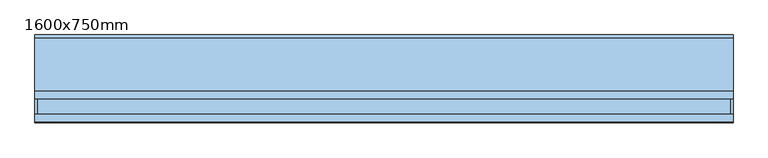
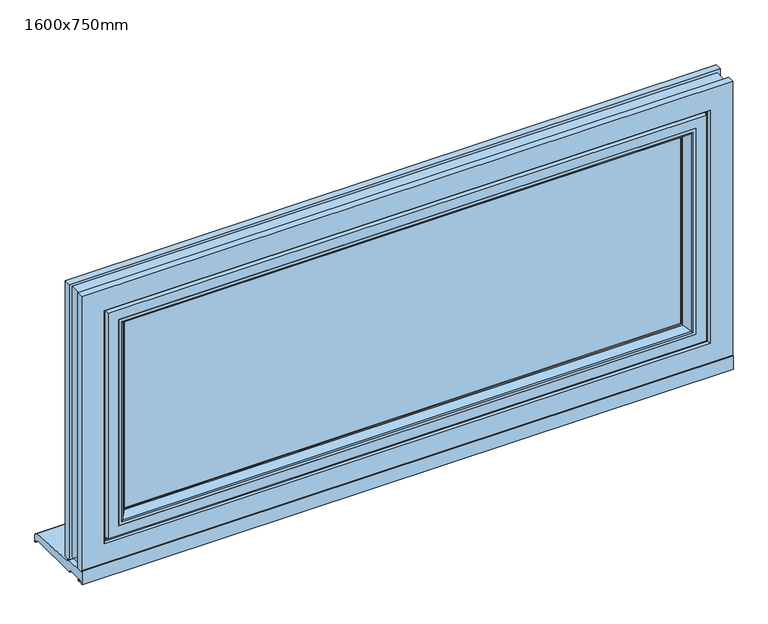
"""IFC4 building model written with IfcOpenShell, lengths in millimetres: window geometry, 1600x750mm."""

from ifc_helpers import new_model, si_unit, point, frame, frame_2d, origin, place, context, project, spatial, polyline, circle_curve, ellipse_curve, trimmed, segment, composite_curve, outline, extrude, source, transform, mapped, element, save
from ifc_brep_helpers import plane_surface, cylinder_surface, advanced_brep


def window_1600x750mm_a451347a(model_context):
    return source(origin(), model_context, "Body", "SolidModel", [
        extrude(outline(composite_curve([segment(polyline([(-0.9754597, 838.0000003), (1.0245403, 838.0000003), (1.0245403, 833.0000003), (59.0278746, 833.0000003)]), True, "CONTINUOUS"), segment(trimmed(circle_curve(frame_2d((65.0153116, 833.3880694)), 6.0), [point((59.0278746, 833.0000003))], [point((63.7824859, 827.5160901))], True, "CARTESIAN"), True, "CONTINUOUS"), segment(polyline([(63.7824859, 827.5160901), (191.7581436, 817.4145962)]), True, "CONTINUOUS"), segment(trimmed(circle_curve(frame_2d((191.128712, 809.5438961)), 7.8958283), [point((191.7581436, 817.4145962))], [point((199.0245403, 809.5438961))], False, "CARTESIAN"), True, "CONTINUOUS"), segment(polyline([(199.0245403, 809.5438961), (199.0245403, 793.0075963), (197.0245403, 793.0075963), (197.0245403, 796.9000002), (189.0245403, 798.310616), (189.0245403, 803.0), (52.0245403, 803.0), (52.0245403, 810.0), (16.0245403, 810.0), (16.0245403, 803.0), (11.0245403, 803.0), (11.0245403, 810.0), (3.0245403, 810.0), (3.0245403, 803.0), (-0.9754597, 803.0), (-0.9754597, 838.0000003)]), True, "CONTINUOUS")], self_intersect=False)), frame((-795.0, 0.0, 0.0), z_axis=(1.0, 0.0, 0.0), x_axis=(0.0, 1.0, 0.0)), (0.0, 0.0, 1.0), 1590.0),
        extrude(outline(polyline([(-696.0020027, 24.0244403), (-696.0020027, 52.0244403), (696.0, 52.0244403), (696.0, 24.0244403), (-696.0020027, 24.0244403)])), frame((0.0, 0.0, 932.0), z_axis=(0.0, 0.0, 1.0), x_axis=(1.0, 0.0, 0.0)), (0.0, 0.0, 1.0), 514.0),
        advanced_brep(
        [(-681.9957513, 16.4897798, 1431.9956513), (-694.3949222, 2.3837282, 1444.3948222), (-694.3949222, 2.3837282, 933.6051778), (-681.9957513, 16.4897798, 946.0043487), (-681.0001, 19.130592, 1431.0), (-681.0001, 19.130592, 947.0), (-681.0001, 22.0245403, 1431.0), (-681.0001, 22.0245403, 947.0), (-691.8001, 15.5245403, 1441.8), (-691.8001, 22.0245403, 1441.8), (-691.8001, 22.0245403, 936.2), (-691.8001, 15.5245403, 936.2), (-694.8001, 12.5245403, 1444.8), (-694.8001, 12.5245403, 933.2), (-705.0001, 1.0245403, 1455.0), (-705.0001, 12.5245403, 1455.0), (-705.0001, 12.5245403, 923.0), (-705.0001, 1.0245403, 923.0), (-697.3992709, 1.0245403, 1447.3991709), (-697.3992709, 1.0245403, 930.6008291), (694.3948222, 2.3837282, 933.6051778), (681.9956513, 16.4897798, 946.0043487), (681.0, 19.130592, 947.0), (681.0, 22.0245403, 947.0), (691.8, 22.0245403, 936.2), (691.8, 15.5245403, 936.2), (694.8, 12.5245403, 933.2), (705.0, 12.5245403, 923.0), (705.0, 1.0245403, 923.0), (697.3991709, 1.0245403, 930.6008291), (694.3948222, 2.3837282, 1444.3948222), (681.9956513, 16.4897798, 1431.9956513), (681.0, 19.130592, 1431.0), (681.0, 22.0245403, 1431.0), (691.8, 22.0245403, 1441.8), (691.8, 15.5245403, 1441.8), (694.8, 12.5245403, 1444.8), (705.0, 12.5245403, 1455.0), (705.0, 1.0245403, 1455.0), (697.3991709, 1.0245403, 1447.3991709)],
        [
            (0, 1),
            (1, 2),
            (2, 3),
            (3, 0),
            (4, 0, ellipse_curve(frame((-685.0001, 19.130592, 1435.0), z_axis=(-0.7071067811865475, 0.0, -0.7071067811865475), x_axis=(-0.7071067811865474, 0.0, 0.7071067811865476)), 5.6568542, 4.0)),
            (3, 5, ellipse_curve(frame((-685.0001, 19.130592, 943.0), z_axis=(-0.7071067811865475, 0.0, 0.7071067811865475), x_axis=(0.7071067811865474, 0.0, 0.7071067811865476)), 5.6568542, 4.0)),
            (5, 4),
            (6, 4),
            (5, 7),
            (7, 6),
            (8, 9),
            (9, 10),
            (10, 11),
            (11, 8),
            (12, 8),
            (11, 13),
            (13, 12),
            (14, 15),
            (15, 16),
            (16, 17),
            (17, 14),
            (1, 18, ellipse_curve(frame((-697.3992709, 5.0245403, 1447.3991709), z_axis=(-0.7071067811865475, 0.0, -0.7071067811865475), x_axis=(-0.7071067811865474, 0.0, 0.7071067811865476)), 5.6568542, 4.0)),
            (18, 19),
            (19, 2, ellipse_curve(frame((-697.3992709, 5.0245403, 930.6008291), z_axis=(-0.7071067811865475, 0.0, 0.7071067811865475), x_axis=(0.7071067811865474, 0.0, 0.7071067811865476)), 5.6568542, 4.0)),
            (2, 20),
            (20, 21),
            (21, 3),
            (21, 22, ellipse_curve(frame((685.0, 19.130592, 943.0), z_axis=(-0.7071067811865475, 0.0, -0.7071067811865475), x_axis=(-0.7071067811865476, 0.0, 0.7071067811865474)), 5.6568542, 4.0)),
            (22, 5),
            (22, 23),
            (23, 7),
            (10, 24),
            (24, 25),
            (25, 11),
            (25, 26),
            (26, 13),
            (16, 27),
            (27, 28),
            (28, 17),
            (19, 29),
            (29, 20, ellipse_curve(frame((697.3991709, 5.0245403, 930.6008291), z_axis=(-0.7071067811865475, 0.0, -0.7071067811865475), x_axis=(-0.7071067811865476, 0.0, 0.7071067811865474)), 5.6568542, 4.0)),
            (20, 30),
            (30, 31),
            (31, 21),
            (31, 32, ellipse_curve(frame((685.0, 19.130592, 1435.0), z_axis=(0.7071067811865475, 0.0, -0.7071067811865475), x_axis=(-0.7071067811865474, 0.0, -0.7071067811865476)), 5.6568542, 4.0)),
            (32, 22),
            (32, 33),
            (33, 23),
            (24, 34),
            (34, 35),
            (35, 25),
            (35, 36),
            (36, 26),
            (27, 37),
            (37, 38),
            (38, 28),
            (29, 39),
            (39, 30, ellipse_curve(frame((697.3991709, 5.0245403, 1447.3991709), z_axis=(0.7071067811865475, 0.0, -0.7071067811865475), x_axis=(-0.7071067811865474, 0.0, -0.7071067811865476)), 5.6568542, 4.0)),
            (30, 1),
            (0, 31),
            (4, 32),
            (6, 33),
            (9, 34),
            (8, 35),
            (12, 36),
            (15, 37),
            (14, 38),
            (18, 39),
        ],
        [
            plane_surface(frame((-694.3949222, 2.3837282, 1444.3948222), z_axis=(0.7510871729852433, -0.660203043447268, 0.0), x_axis=(0.0, 0.0, -1.0))),
            cylinder_surface(frame((-685.0001, 19.130592, 1499.0), z_axis=(0.0, 0.0, 1.0), x_axis=(-1.0, 0.0, 0.0)), 4.0),
            plane_surface(frame((-681.0001, 19.130592, 1431.0), z_axis=(1.0, 0.0, 0.0), x_axis=(0.0, 0.0, -1.0))),
            plane_surface(frame((-691.8001, 22.0245403, 1441.8), z_axis=(-1.0, 0.0, 0.0), x_axis=(0.0, 0.0, -1.0))),
            plane_surface(frame((-691.8001, 15.5245403, 1441.8), z_axis=(-0.7071067811865315, 0.7071067811865636, 0.0), x_axis=(0.0, 0.0, -1.0))),
            plane_surface(frame((-705.0001, 12.5245403, 1455.0), z_axis=(-1.0, 0.0, 0.0), x_axis=(0.0, 0.0, -1.0))),
            cylinder_surface(frame((-697.3992709, 5.0245403, 1499.0), z_axis=(0.0, 0.0, 1.0), x_axis=(-1.0, 0.0, 0.0)), 4.0),
            plane_surface(frame((-694.3949222, 2.3837282, 933.6051778), z_axis=(0.0, -0.6602030434472632, 0.7510871729852475), x_axis=(1.0, 0.0, 0.0))),
            cylinder_surface(frame((-749.0001, 19.130592, 943.0), z_axis=(-1.0, 0.0, 0.0), x_axis=(0.0, 0.0, -1.0)), 4.0),
            plane_surface(frame((-681.0001, 19.130592, 947.0), z_axis=(0.0, 0.0, 1.0), x_axis=(1.0, 0.0, 0.0))),
            plane_surface(frame((-691.8001, 22.0245403, 936.2), z_axis=(0.0, 0.0, -1.0), x_axis=(1.0, 0.0, 0.0))),
            plane_surface(frame((-691.8001, 15.5245403, 936.2), z_axis=(0.0, 0.707106781186559, -0.707106781186536), x_axis=(1.0, 0.0, 0.0))),
            plane_surface(frame((-705.0001, 12.5245403, 923.0), z_axis=(0.0, 0.0, -1.0), x_axis=(1.0, 0.0, 0.0))),
            cylinder_surface(frame((-749.0001, 5.0245403, 930.6008291), z_axis=(-1.0, 0.0, 0.0), x_axis=(0.0, 0.0, -1.0)), 4.0),
            plane_surface(frame((694.3948222, 2.3837282, 933.6051778), z_axis=(-0.7510871729852517, -0.6602030434472584, 0.0), x_axis=(0.0, 0.0, 1.0))),
            cylinder_surface(frame((685.0, 19.130592, 879.0), z_axis=(0.0, 0.0, -1.0), x_axis=(1.0, 0.0, 0.0)), 4.0),
            plane_surface(frame((681.0, 19.130592, 947.0), z_axis=(-1.0, 0.0, 0.0), x_axis=(0.0, 0.0, 1.0))),
            plane_surface(frame((691.8, 22.0245403, 936.2), z_axis=(1.0, 0.0, 0.0), x_axis=(0.0, 0.0, 1.0))),
            plane_surface(frame((691.8, 15.5245403, 936.2), z_axis=(0.7071067811865406, 0.7071067811865545, 0.0), x_axis=(0.0, 0.0, 1.0))),
            plane_surface(frame((705.0, 12.5245403, 923.0), z_axis=(1.0, 0.0, 0.0), x_axis=(0.0, 0.0, 1.0))),
            cylinder_surface(frame((697.3991709, 5.0245403, 879.0), z_axis=(0.0, 0.0, -1.0), x_axis=(1.0, 0.0, 0.0)), 4.0),
            plane_surface(frame((694.3948222, 2.3837282, 1444.3948222), z_axis=(0.0, -0.6602030434472632, -0.7510871729852475), x_axis=(-1.0, 0.0, 0.0))),
            cylinder_surface(frame((749.0, 19.130592, 1435.0), z_axis=(1.0, 0.0, 0.0), x_axis=(0.0, 0.0, 1.0)), 4.0),
            plane_surface(frame((681.0, 19.130592, 1431.0), z_axis=(0.0, 0.0, -1.0), x_axis=(-1.0, 0.0, 0.0))),
            plane_surface(frame((681.0, 22.0245403, 1431.0), z_axis=(0.0, 1.0, 0.0), x_axis=(-1.0, 0.0, 0.0))),
            plane_surface(frame((691.8, 22.0245403, 1441.8), z_axis=(0.0, 0.0, 1.0), x_axis=(-1.0, 0.0, 0.0))),
            plane_surface(frame((691.8, 15.5245403, 1441.8), z_axis=(0.0, 0.707106781186559, 0.707106781186536), x_axis=(-1.0, 0.0, 0.0))),
            plane_surface(frame((694.8, 12.5245403, 1444.8), z_axis=(0.0, 1.0, 0.0), x_axis=(-1.0, 0.0, 0.0))),
            plane_surface(frame((705.0, 12.5245403, 1455.0), z_axis=(0.0, 0.0, 1.0), x_axis=(-1.0, 0.0, 0.0))),
            plane_surface(frame((705.0, 1.0245403, 1455.0), z_axis=(0.0, -1.0, 0.0), x_axis=(-1.0, 0.0, 0.0))),
            cylinder_surface(frame((749.0, 5.0245403, 1447.3991709), z_axis=(1.0, 0.0, 0.0), x_axis=(0.0, 0.0, 1.0)), 4.0),
        ],
        [
            (0, [[1, 2, 3, 4]]),
            (1, [[5, -4, 6, 7]]),
            (2, [[8, -7, 9, 10]]),
            (3, [[11, 12, 13, 14]]),
            (4, [[15, -14, 16, 17]]),
            (5, [[18, 19, 20, 21]]),
            (6, [[22, 23, 24, -2]]),
            (7, [[-3, 25, 26, 27]]),
            (8, [[-6, -27, 28, 29]]),
            (9, [[-9, -29, 30, 31]]),
            (10, [[-13, 32, 33, 34]]),
            (11, [[-16, -34, 35, 36]]),
            (12, [[-20, 37, 38, 39]]),
            (13, [[-24, 40, 41, -25]]),
            (14, [[-26, 42, 43, 44]]),
            (15, [[-28, -44, 45, 46]]),
            (16, [[-30, -46, 47, 48]]),
            (17, [[-33, 49, 50, 51]]),
            (18, [[-35, -51, 52, 53]]),
            (19, [[-38, 54, 55, 56]]),
            (20, [[-41, 57, 58, -42]]),
            (21, [[-43, 59, -1, 60]]),
            (22, [[-45, -60, -5, 61]]),
            (23, [[-47, -61, -8, 62]]),
            (24, [[63, -49, -32, -12], [-31, -48, -62, -10]]),
            (25, [[-50, -63, -11, 64]]),
            (26, [[-52, -64, -15, 65]]),
            (27, [[66, -54, -37, -19], [-36, -53, -65, -17]]),
            (28, [[-55, -66, -18, 67]]),
            (29, [[-39, -56, -67, -21], [68, -57, -40, -23]]),
            (30, [[-58, -68, -22, -59]]),
        ],
    ),
        advanced_brep(
        [(705.0, 54.0245403, 1455.0), (705.0, 1.0245403, 1455.0), (-705.0001, 1.0245403, 1455.0), (-705.0001, 54.0245403, 1455.0), (694.3847305, 70.0887181, 1444.3847305), (682.4288496, 60.0565428, 1432.4288496), (-682.4289496, 60.0565428, 1432.4288496), (-694.3848305, 70.0887181, 1444.3847305), (749.0, 68.5245403, 1499.0), (749.0, 71.0245403, 1499.0), (-749.0001, 71.0245403, 1499.0), (-749.0001, 68.5245403, 1499.0), (-705.0001, 1.0245403, 923.0), (-705.0001, 54.0245403, 923.0), (-682.4289496, 60.0565428, 945.5711504), (-694.3848305, 70.0887181, 933.6152695), (-749.0001, 71.0245403, 879.0), (-749.0001, 68.5245403, 879.0), (705.0, 1.0245403, 923.0), (705.0, 54.0245403, 923.0), (682.4288496, 60.0565428, 945.5711504), (694.3847305, 70.0887181, 933.6152695), (749.0, 71.0245403, 879.0), (749.0, 68.5245403, 879.0), (681.0, 54.0245403, 1431.0), (681.0, 54.0245403, 947.0), (-681.0001, 54.0245403, 947.0), (-681.0001, 54.0245403, 1431.0), (-696.955981, 71.0245403, 1446.955881), (-696.955981, 71.0245403, 931.044119), (696.955881, 71.0245403, 931.044119), (696.955881, 71.0245403, 1446.955881), (681.0, 56.992365, 1431.0), (-681.0001, 56.992365, 1431.0), (-681.0001, 56.992365, 947.0), (681.0, 56.992365, 947.0), (744.0, 13.5245403, 1494.0), (744.0, 68.5245403, 1494.0), (-744.0001, 68.5245403, 1494.0), (-744.0001, 13.5245403, 1494.0), (730.0, 1.0245403, 1480.0), (732.0, 13.5245403, 1482.0), (-732.0001, 13.5245403, 1482.0), (-730.0001, 1.0245403, 1480.0), (-744.0001, 68.5245403, 884.0), (-744.0001, 13.5245403, 884.0), (-732.0001, 13.5245403, 896.0), (-730.0001, 1.0245403, 898.0), (744.0, 68.5245403, 884.0), (744.0, 13.5245403, 884.0), (732.0, 13.5245403, 896.0), (730.0, 1.0245403, 898.0)],
        [
            (0, 1),
            (1, 2),
            (2, 3),
            (3, 0),
            (4, 5),
            (5, 6),
            (6, 7),
            (7, 4),
            (8, 9),
            (9, 10),
            (10, 11),
            (11, 8),
            (2, 12),
            (12, 13),
            (13, 3),
            (6, 14),
            (14, 15),
            (15, 7),
            (10, 16),
            (16, 17),
            (17, 11),
            (12, 18),
            (18, 19),
            (19, 13),
            (14, 20),
            (20, 21),
            (21, 15),
            (16, 22),
            (22, 23),
            (23, 17),
            (18, 1),
            (0, 19),
            (24, 25),
            (25, 26),
            (26, 27),
            (27, 24),
            (20, 5),
            (4, 21),
            (9, 22),
            (28, 29),
            (29, 30),
            (30, 31),
            (31, 28),
            (8, 23),
            (32, 24),
            (27, 33),
            (33, 32),
            (31, 4, ellipse_curve(frame((696.955881, 67.0245403, 1446.955881), z_axis=(-0.7071067811865475, 0.0, 0.7071067811865475), x_axis=(0.7071067811865476, 0.0, 0.7071067811865474)), 5.6568542, 4.0)),
            (7, 28, ellipse_curve(frame((-696.955981, 67.0245403, 1446.955881), z_axis=(0.7071067811865475, 0.0, 0.7071067811865475), x_axis=(0.7071067811865476, 0.0, -0.7071067811865474)), 5.6568542, 4.0)),
            (26, 34),
            (34, 33),
            (15, 29, ellipse_curve(frame((-696.955981, 67.0245403, 931.044119), z_axis=(-0.7071067811865475, 0.0, 0.7071067811865475), x_axis=(0.7071067811865474, 0.0, 0.7071067811865476)), 5.6568542, 4.0)),
            (25, 35),
            (35, 34),
            (21, 30, ellipse_curve(frame((696.955881, 67.0245403, 931.044119), z_axis=(-0.7071067811865475, 0.0, -0.7071067811865475), x_axis=(-0.7071067811865476, 0.0, 0.7071067811865474)), 5.6568542, 4.0)),
            (32, 35),
            (5, 32, ellipse_curve(frame((685.0, 56.992365, 1435.0), z_axis=(-0.7071067811865475, 0.0, 0.7071067811865475), x_axis=(0.7071067811865476, 0.0, 0.7071067811865474)), 5.6568542, 4.0)),
            (33, 6, ellipse_curve(frame((-685.0001, 56.992365, 1435.0), z_axis=(0.7071067811865475, 0.0, 0.7071067811865475), x_axis=(0.7071067811865476, 0.0, -0.7071067811865474)), 5.6568542, 4.0)),
            (34, 14, ellipse_curve(frame((-685.0001, 56.992365, 943.0), z_axis=(-0.7071067811865475, 0.0, 0.7071067811865475), x_axis=(0.7071067811865474, 0.0, 0.7071067811865476)), 5.6568542, 4.0)),
            (35, 20, ellipse_curve(frame((685.0, 56.992365, 943.0), z_axis=(-0.7071067811865475, 0.0, -0.7071067811865475), x_axis=(-0.7071067811865476, 0.0, 0.7071067811865474)), 5.6568542, 4.0)),
            (36, 37),
            (37, 38),
            (38, 39),
            (39, 36),
            (40, 41),
            (41, 42),
            (42, 43),
            (43, 40),
            (38, 44),
            (44, 45),
            (45, 39),
            (42, 46),
            (46, 47),
            (47, 43),
            (44, 48),
            (48, 49),
            (49, 45),
            (46, 50),
            (50, 51),
            (51, 47),
            (37, 48),
            (36, 49),
            (41, 50),
            (40, 51),
        ],
        [
            plane_surface(frame((705.0, 1.0245403, 1455.0), z_axis=(0.0, 0.0, -1.0), x_axis=(-1.0, 0.0, 0.0))),
            plane_surface(frame((682.4288496, 60.0565428, 1432.4288496), z_axis=(0.0, 0.7660444433480821, -0.6427876094135039), x_axis=(-1.0, 0.0, 0.0))),
            plane_surface(frame((749.0, 71.0245403, 1499.0), z_axis=(0.0, 0.0, 1.0), x_axis=(-1.0, 0.0, 0.0))),
            plane_surface(frame((-705.0001, 1.0245403, 1455.0), z_axis=(1.0, 0.0, 0.0), x_axis=(0.0, 0.0, -1.0))),
            plane_surface(frame((-682.4289496, 60.0565428, 1432.4288496), z_axis=(0.6427876094135088, 0.766044443348078, 0.0), x_axis=(0.0, 0.0, -1.0))),
            plane_surface(frame((-749.0001, 71.0245403, 1499.0), z_axis=(-1.0, 0.0, 0.0), x_axis=(0.0, 0.0, -1.0))),
            plane_surface(frame((-705.0001, 1.0245403, 923.0), z_axis=(0.0, 0.0, 1.0), x_axis=(1.0, 0.0, 0.0))),
            plane_surface(frame((-682.4289496, 60.0565428, 945.5711504), z_axis=(0.0, 0.7660444433480821, 0.6427876094135039), x_axis=(1.0, 0.0, 0.0))),
            plane_surface(frame((-749.0001, 71.0245403, 879.0), z_axis=(0.0, 0.0, -1.0), x_axis=(1.0, 0.0, 0.0))),
            plane_surface(frame((705.0, 1.0245403, 923.0), z_axis=(-1.0, 0.0, 0.0), x_axis=(0.0, 0.0, 1.0))),
            plane_surface(frame((705.0, 54.0245403, 923.0), z_axis=(0.0, -1.0, 0.0), x_axis=(0.0, 0.0, 1.0))),
            plane_surface(frame((682.4288496, 60.0565428, 945.5711504), z_axis=(-0.642787609413499, 0.7660444433480862, 0.0), x_axis=(0.0, 0.0, 1.0))),
            plane_surface(frame((696.955881, 71.0245403, 931.044119), z_axis=(0.0, 1.0, 0.0), x_axis=(0.0, 0.0, 1.0))),
            plane_surface(frame((749.0, 71.0245403, 879.0), z_axis=(1.0, 0.0, 0.0), x_axis=(0.0, 0.0, 1.0))),
            plane_surface(frame((681.0, 54.0245403, 1431.0), z_axis=(0.0, 0.0, -1.0), x_axis=(-1.0, 0.0, 0.0))),
            cylinder_surface(frame((749.0, 67.0245403, 1446.955881), z_axis=(1.0, 0.0, 0.0), x_axis=(0.0, 0.0, 1.0)), 4.0),
            plane_surface(frame((-681.0001, 54.0245403, 1431.0), z_axis=(1.0, 0.0, 0.0), x_axis=(0.0, 0.0, -1.0))),
            cylinder_surface(frame((-696.955981, 67.0245403, 1499.0), z_axis=(0.0, 0.0, 1.0), x_axis=(-1.0, 0.0, 0.0)), 4.0),
            plane_surface(frame((-681.0001, 54.0245403, 947.0), z_axis=(0.0, 0.0, 1.0), x_axis=(1.0, 0.0, 0.0))),
            cylinder_surface(frame((-749.0001, 67.0245403, 931.044119), z_axis=(-1.0, 0.0, 0.0), x_axis=(0.0, 0.0, -1.0)), 4.0),
            plane_surface(frame((681.0, 54.0245403, 947.0), z_axis=(-1.0, 0.0, 0.0), x_axis=(0.0, 0.0, 1.0))),
            cylinder_surface(frame((696.955881, 67.0245403, 879.0), z_axis=(0.0, 0.0, -1.0), x_axis=(1.0, 0.0, 0.0)), 4.0),
            cylinder_surface(frame((749.0, 56.992365, 1435.0), z_axis=(1.0, 0.0, 0.0), x_axis=(0.0, 0.0, 1.0)), 4.0),
            cylinder_surface(frame((-685.0001, 56.992365, 1499.0), z_axis=(0.0, 0.0, 1.0), x_axis=(-1.0, 0.0, 0.0)), 4.0),
            cylinder_surface(frame((-749.0001, 56.992365, 943.0), z_axis=(-1.0, 0.0, 0.0), x_axis=(0.0, 0.0, -1.0)), 4.0),
            cylinder_surface(frame((685.0, 56.992365, 879.0), z_axis=(0.0, 0.0, -1.0), x_axis=(1.0, 0.0, 0.0)), 4.0),
            plane_surface(frame((744.0, 68.5245403, 1494.0), z_axis=(0.0, 0.0, 1.0), x_axis=(-1.0, 0.0, 0.0))),
            plane_surface(frame((732.0, 13.5245403, 1482.0), z_axis=(0.0, -0.1579905011066784, 0.9874406319167045), x_axis=(-1.0, 0.0, 0.0))),
            plane_surface(frame((-744.0001, 68.5245403, 1494.0), z_axis=(-1.0, 0.0, 0.0), x_axis=(0.0, 0.0, -1.0))),
            plane_surface(frame((-732.0001, 13.5245403, 1482.0), z_axis=(-0.9874406319167055, -0.1579905011066721, 0.0), x_axis=(0.0, 0.0, -1.0))),
            plane_surface(frame((-744.0001, 68.5245403, 884.0), z_axis=(0.0, 0.0, -1.0), x_axis=(1.0, 0.0, 0.0))),
            plane_surface(frame((-732.0001, 13.5245403, 896.0), z_axis=(0.0, -0.1579905011066784, -0.9874406319167045), x_axis=(1.0, 0.0, 0.0))),
            plane_surface(frame((749.0, 68.5245403, 879.0), z_axis=(0.0, -1.0, 0.0), x_axis=(0.0, 0.0, 1.0))),
            plane_surface(frame((744.0, 68.5245403, 884.0), z_axis=(1.0, 0.0, 0.0), x_axis=(0.0, 0.0, 1.0))),
            plane_surface(frame((744.0, 13.5245403, 884.0), z_axis=(0.0, -1.0, 0.0), x_axis=(0.0, 0.0, 1.0))),
            plane_surface(frame((732.0, 13.5245403, 896.0), z_axis=(0.9874406319167035, -0.1579905011066847, 0.0), x_axis=(0.0, 0.0, 1.0))),
            plane_surface(frame((730.0, 1.0245403, 898.0), z_axis=(0.0, -1.0, 0.0), x_axis=(0.0, 0.0, 1.0))),
        ],
        [
            (0, [[1, 2, 3, 4]]),
            (1, [[5, 6, 7, 8]]),
            (2, [[9, 10, 11, 12]]),
            (3, [[-3, 13, 14, 15]]),
            (4, [[-7, 16, 17, 18]]),
            (5, [[-11, 19, 20, 21]]),
            (6, [[-14, 22, 23, 24]]),
            (7, [[-17, 25, 26, 27]]),
            (8, [[-20, 28, 29, 30]]),
            (9, [[-23, 31, -1, 32]]),
            (10, [[-15, -24, -32, -4], [33, 34, 35, 36]]),
            (11, [[-26, 37, -5, 38]]),
            (12, [[39, -28, -19, -10], [40, 41, 42, 43]]),
            (13, [[-29, -39, -9, 44]]),
            (14, [[45, -36, 46, 47]]),
            (15, [[48, -8, 49, -43]]),
            (16, [[-46, -35, 50, 51]]),
            (17, [[-49, -18, 52, -40]]),
            (18, [[-50, -34, 53, 54]]),
            (19, [[-52, -27, 55, -41]]),
            (20, [[-53, -33, -45, 56]]),
            (21, [[-55, -38, -48, -42]]),
            (22, [[57, -47, 58, -6]]),
            (23, [[-58, -51, 59, -16]]),
            (24, [[-59, -54, 60, -25]]),
            (25, [[-60, -56, -57, -37]]),
            (26, [[61, 62, 63, 64]]),
            (27, [[65, 66, 67, 68]]),
            (28, [[-63, 69, 70, 71]]),
            (29, [[-67, 72, 73, 74]]),
            (30, [[-70, 75, 76, 77]]),
            (31, [[-73, 78, 79, 80]]),
            (32, [[-21, -30, -44, -12], [81, -75, -69, -62]]),
            (33, [[-76, -81, -61, 82]]),
            (34, [[-71, -77, -82, -64], [83, -78, -72, -66]]),
            (35, [[-79, -83, -65, 84]]),
            (36, [[-74, -80, -84, -68], [-31, -22, -13, -2]]),
        ],
    ),
        advanced_brep(
        [(-795.0, 71.0245403, 833.0), (-795.0, 54.0245403, 833.0), (-795.0, 54.0245403, 1545.0), (-795.0, 71.0245403, 1545.0), (795.0, 54.0245403, 1545.0), (795.0, 71.0245403, 1545.0), (795.0, 54.0245403, 833.0), (795.0, 71.0245403, 833.0), (-795.0, 18.0245403, 833.0), (-795.0, 1.0245403, 833.0), (-795.0, 1.0245403, 1545.0), (-795.0, 18.0245403, 1545.0), (-788.0, 54.0245403, 840.0), (-788.0, 18.0245403, 840.0), (-788.0, 18.0245403, 1538.0), (-788.0, 54.0245403, 1538.0), (795.0, 1.0245403, 1545.0), (795.0, 18.0245403, 1545.0), (788.0, 18.0245403, 1538.0), (788.0, 54.0245403, 1538.0), (795.0, 1.0245403, 833.0), (795.0, 18.0245403, 833.0), (788.0, 18.0245403, 840.0), (788.0, 54.0245403, 840.0), (-755.0, 71.0245403, 873.0), (755.0, 71.0245403, 873.0), (755.0, 71.0245403, 1505.0), (-755.0, 71.0245403, 1505.0), (-755.0, 10.0245403, 1505.0), (755.0, 10.0245403, 1505.0), (755.0, 10.0245403, 873.0), (-755.0, 10.0245403, 873.0), (-735.0, 10.0245403, 893.0), (735.0, 10.0245403, 893.0), (735.0, 10.0245403, 1485.0), (-735.0, 10.0245403, 1485.0), (-739.9659713, 1.0245403, 1489.9659713), (739.9659713, 1.0245403, 1489.9659713), (739.9659713, 1.0245403, 888.0340287), (-739.9659713, 1.0245403, 888.0340287), (-736.1715729, 4.8189387, 1486.1715729), (736.1715729, 4.8189387, 1486.1715729), (736.1715729, 4.8189387, 891.8284271), (-736.1715729, 4.8189387, 891.8284271), (-735.0, 7.6473659, 1485.0), (735.0, 7.6473659, 1485.0), (735.0, 7.6473659, 893.0), (-735.0, 7.6473659, 893.0)],
        [
            (0, 1),
            (1, 2),
            (2, 3),
            (3, 0),
            (2, 4),
            (4, 5),
            (5, 3),
            (4, 6),
            (6, 7),
            (7, 5),
            (8, 9),
            (9, 10),
            (10, 11),
            (11, 8),
            (12, 13),
            (13, 14),
            (14, 15),
            (15, 12),
            (10, 16),
            (16, 17),
            (17, 11),
            (14, 18),
            (18, 19),
            (19, 15),
            (16, 20),
            (20, 21),
            (21, 17),
            (18, 22),
            (22, 23),
            (23, 19),
            (6, 1),
            (0, 7),
            (24, 25),
            (25, 26),
            (26, 27),
            (27, 24),
            (28, 29),
            (29, 30),
            (30, 31),
            (31, 28),
            (32, 33),
            (33, 34),
            (34, 35),
            (35, 32),
            (9, 20),
            (36, 37),
            (37, 38),
            (38, 39),
            (39, 36),
            (8, 21),
            (13, 22),
            (12, 23),
            (28, 27),
            (26, 29),
            (36, 40),
            (40, 41),
            (41, 37),
            (25, 30),
            (41, 42),
            (42, 38),
            (24, 31),
            (42, 43),
            (43, 39),
            (43, 40),
            (44, 35),
            (34, 45),
            (45, 44),
            (40, 44, ellipse_curve(frame((-739.0, 7.6473659, 1489.0), z_axis=(0.7071067811865475, 0.0, 0.7071067811865475), x_axis=(-0.7071067811865476, 0.0, 0.7071067811865474)), 5.6568542, 4.0)),
            (45, 41, ellipse_curve(frame((739.0, 7.6473659, 1489.0), z_axis=(-0.7071067811865475, 0.0, 0.7071067811865475), x_axis=(-0.7071067811865476, 0.0, -0.7071067811865474)), 5.6568542, 4.0)),
            (33, 46),
            (46, 45),
            (46, 42, ellipse_curve(frame((739.0, 7.6473659, 889.0), z_axis=(0.7071067811865475, 0.0, 0.7071067811865475), x_axis=(-0.7071067811865474, 0.0, 0.7071067811865476)), 5.6568542, 4.0)),
            (32, 47),
            (47, 46),
            (47, 43, ellipse_curve(frame((-739.0, 7.6473659, 889.0), z_axis=(0.7071067811865475, 0.0, -0.7071067811865475), x_axis=(0.7071067811865476, 0.0, 0.7071067811865474)), 5.6568542, 4.0)),
            (44, 47),
        ],
        [
            plane_surface(frame((-795.0, 54.0245403, 833.0), z_axis=(-1.0, 0.0, 0.0), x_axis=(0.0, 0.0, 1.0))),
            plane_surface(frame((-795.0, 54.0245403, 1545.0), z_axis=(0.0, 0.0, 1.0), x_axis=(1.0, 0.0, 0.0))),
            plane_surface(frame((795.0, 54.0245403, 1545.0), z_axis=(1.0, 0.0, 0.0), x_axis=(0.0, 0.0, -1.0))),
            plane_surface(frame((-795.0, 1.0245403, 833.0), z_axis=(-1.0, 0.0, 0.0), x_axis=(0.0, 0.0, 1.0))),
            plane_surface(frame((-788.0, 18.0245403, 840.0), z_axis=(-1.0, 0.0, 0.0), x_axis=(0.0, 0.0, 1.0))),
            plane_surface(frame((-795.0, 1.0245403, 1545.0), z_axis=(0.0, 0.0, 1.0), x_axis=(1.0, 0.0, 0.0))),
            plane_surface(frame((-788.0, 18.0245403, 1538.0), z_axis=(0.0, 0.0, 1.0), x_axis=(1.0, 0.0, 0.0))),
            plane_surface(frame((795.0, 1.0245403, 1545.0), z_axis=(1.0, 0.0, 0.0), x_axis=(0.0, 0.0, -1.0))),
            plane_surface(frame((788.0, 18.0245403, 1538.0), z_axis=(1.0, 0.0, 0.0), x_axis=(0.0, 0.0, -1.0))),
            plane_surface(frame((795.0, 54.0245403, 833.0), z_axis=(0.0, 0.0, -1.0), x_axis=(-1.0, 0.0, 0.0))),
            plane_surface(frame((795.0, 71.0245403, 833.0), z_axis=(0.0, 1.0, 0.0), x_axis=(-1.0, 0.0, 0.0))),
            plane_surface(frame((755.0, 10.0245403, 873.0), z_axis=(0.0, 1.0, 0.0), x_axis=(-1.0, 0.0, 0.0))),
            plane_surface(frame((739.9659713, 1.0245403, 888.0340287), z_axis=(0.0, -1.0, 0.0), x_axis=(-1.0, 0.0, 0.0))),
            plane_surface(frame((795.0, 1.0245403, 833.0), z_axis=(0.0, 0.0, -1.0), x_axis=(-1.0, 0.0, 0.0))),
            plane_surface(frame((795.0, 18.0245403, 833.0), z_axis=(0.0, 1.0, 0.0), x_axis=(-1.0, 0.0, 0.0))),
            plane_surface(frame((788.0, 18.0245403, 840.0), z_axis=(0.0, 0.0, -1.0), x_axis=(-1.0, 0.0, 0.0))),
            plane_surface(frame((788.0, 54.0245403, 840.0), z_axis=(0.0, -1.0, 0.0), x_axis=(-1.0, 0.0, 0.0))),
            plane_surface(frame((-755.0, 71.0245403, 1505.0), z_axis=(0.0, 0.0, -1.0), x_axis=(1.0, 0.0, 0.0))),
            plane_surface(frame((-736.1715729, 4.8189387, 1486.1715729), z_axis=(0.0, -0.7071067811865374, -0.7071067811865578), x_axis=(1.0, 0.0, 0.0))),
            plane_surface(frame((755.0, 71.0245403, 1505.0), z_axis=(-1.0, 0.0, 0.0), x_axis=(0.0, 0.0, -1.0))),
            plane_surface(frame((736.1715729, 4.8189387, 1486.1715729), z_axis=(-0.7071067811865578, -0.7071067811865374, 0.0), x_axis=(0.0, 0.0, -1.0))),
            plane_surface(frame((755.0, 71.0245403, 873.0), z_axis=(0.0, 0.0, 1.0), x_axis=(-1.0, 0.0, 0.0))),
            plane_surface(frame((736.1715729, 4.8189387, 891.8284271), z_axis=(0.0, -0.7071067811865374, 0.7071067811865578), x_axis=(-1.0, 0.0, 0.0))),
            plane_surface(frame((-755.0, 71.0245403, 873.0), z_axis=(1.0, 0.0, 0.0), x_axis=(0.0, 0.0, 1.0))),
            plane_surface(frame((-736.1715729, 4.8189387, 891.8284271), z_axis=(0.7071067811865578, -0.7071067811865374, 0.0), x_axis=(0.0, 0.0, 1.0))),
            plane_surface(frame((-735.0, 10.0245403, 1485.0), z_axis=(0.0, 0.0, -1.0), x_axis=(1.0, 0.0, 0.0))),
            cylinder_surface(frame((-795.0, 7.6473659, 1489.0), z_axis=(-1.0, 0.0, 0.0), x_axis=(0.0, 0.0, 1.0)), 4.0),
            plane_surface(frame((735.0, 10.0245403, 1485.0), z_axis=(-1.0, 0.0, 0.0), x_axis=(0.0, 0.0, -1.0))),
            cylinder_surface(frame((739.0, 7.6473659, 1545.0), z_axis=(0.0, 0.0, 1.0), x_axis=(1.0, 0.0, 0.0)), 4.0),
            plane_surface(frame((735.0, 10.0245403, 893.0), z_axis=(0.0, 0.0, 1.0), x_axis=(-1.0, 0.0, 0.0))),
            cylinder_surface(frame((795.0, 7.6473659, 889.0), z_axis=(1.0, 0.0, 0.0), x_axis=(0.0, 0.0, -1.0)), 4.0),
            plane_surface(frame((-735.0, 10.0245403, 893.0), z_axis=(1.0, 0.0, 0.0), x_axis=(0.0, 0.0, 1.0))),
            cylinder_surface(frame((-739.0, 7.6473659, 833.0), z_axis=(0.0, 0.0, -1.0), x_axis=(-1.0, 0.0, 0.0)), 4.0),
        ],
        [
            (0, [[1, 2, 3, 4]]),
            (1, [[-3, 5, 6, 7]]),
            (2, [[-6, 8, 9, 10]]),
            (3, [[11, 12, 13, 14]]),
            (4, [[15, 16, 17, 18]]),
            (5, [[-13, 19, 20, 21]]),
            (6, [[-17, 22, 23, 24]]),
            (7, [[-20, 25, 26, 27]]),
            (8, [[-23, 28, 29, 30]]),
            (9, [[-9, 31, -1, 32]]),
            (10, [[-7, -10, -32, -4], [33, 34, 35, 36]]),
            (11, [[37, 38, 39, 40], [41, 42, 43, 44]]),
            (12, [[45, -25, -19, -12], [46, 47, 48, 49]]),
            (13, [[-26, -45, -11, 50]]),
            (14, [[-21, -27, -50, -14], [51, -28, -22, -16]]),
            (15, [[-29, -51, -15, 52]]),
            (16, [[-31, -8, -5, -2], [-24, -30, -52, -18]]),
            (17, [[53, -35, 54, -37]]),
            (18, [[55, 56, 57, -46]]),
            (19, [[-54, -34, 58, -38]]),
            (20, [[-57, 59, 60, -47]]),
            (21, [[-58, -33, 61, -39]]),
            (22, [[-60, 62, 63, -48]]),
            (23, [[-61, -36, -53, -40]]),
            (24, [[-63, 64, -55, -49]]),
            (25, [[65, -43, 66, 67]]),
            (26, [[68, -67, 69, -56]]),
            (27, [[-66, -42, 70, 71]]),
            (28, [[-69, -71, 72, -59]]),
            (29, [[-70, -41, 73, 74]]),
            (30, [[-72, -74, 75, -62]]),
            (31, [[-73, -44, -65, 76]]),
            (32, [[-75, -76, -68, -64]]),
        ],
    ),
    ])


if __name__ == "__main__":
    model = new_model("IFC4")
    model_context = context("Model", 3, world=origin())
    ifc_project = project(units=[si_unit("LENGTHUNIT", "METRE", prefix="MILLI")], contexts=[model_context])
    site = spatial("IfcSite", under=ifc_project)
    building = spatial("IfcBuilding", under=site)
    placement = place(None, origin())
    window_1600x750mm_shape = window_1600x750mm_a451347a(model_context)
    element("IfcWindow", 1, ObjectType="1600x750mm", at=placement, inside=building, context=model_context, shape_type="MappedRepresentation", body=[
        mapped(window_1600x750mm_shape, transform((0.0, 0.0, 0.0), x_axis=(1.0, 0.0, 0.0), y_axis=(0.0, 1.0, 0.0), z_axis=(0.0, 0.0, 1.0))),
    ])
    save(model, "model.ifc")
